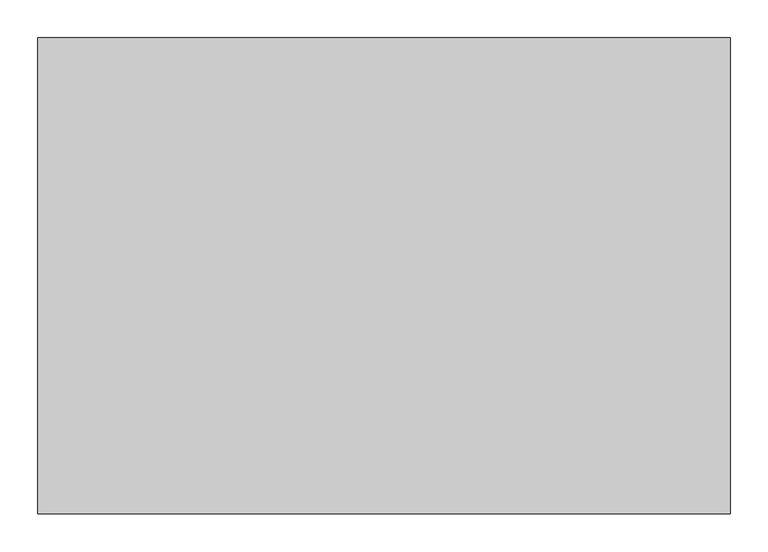
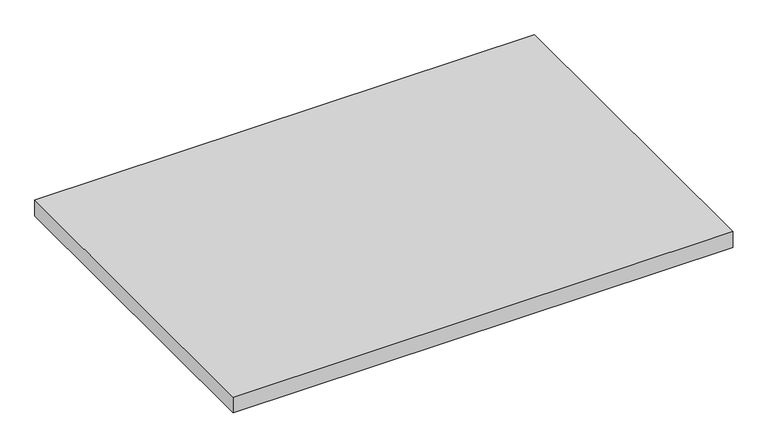
"""IFC4 building model written with IfcOpenShell, lengths in millimetres: furniture geometry."""

from ifc_helpers import new_model, si_unit, frame, origin, place, context, project, spatial, polyline, outline, extrude, source, transform, mapped, element, save


def furniture_66f2dc1c(model_context):
    return source(origin(), model_context, "Body", "SweptSolid", [
        extrude(outline(polyline([(457.2, 314.325), (457.2, -314.325), (-457.2, -314.325), (-457.2, 314.325), (457.2, 314.325)])), frame((0.0, 0.0, 706.4375), z_axis=(0.0, 0.0, 1.0), x_axis=(1.0, 0.0, 0.0)), (0.0, 0.0, 1.0), 30.1625),
    ])


if __name__ == "__main__":
    model = new_model("IFC4")
    model_context = context("Model", 3, world=origin())
    ifc_project = project(units=[si_unit("LENGTHUNIT", "METRE", prefix="MILLI")], contexts=[model_context])
    site = spatial("IfcSite", under=ifc_project)
    building = spatial("IfcBuilding", under=site)
    placement = place(None, origin())
    furniture_shape = furniture_66f2dc1c(model_context)
    element("IfcFurniture", 1, at=placement, inside=building, context=model_context, shape_type="MappedRepresentation", body=[
        mapped(furniture_shape, transform((0.0, 0.0, 0.0), x_axis=(1.0, 0.0, 0.0), y_axis=(0.0, 1.0, 0.0), z_axis=(0.0, 0.0, 1.0))),
    ])
    save(model, "model.ifc")
